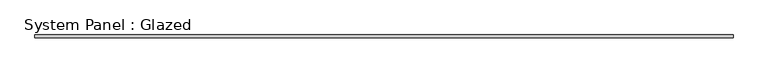
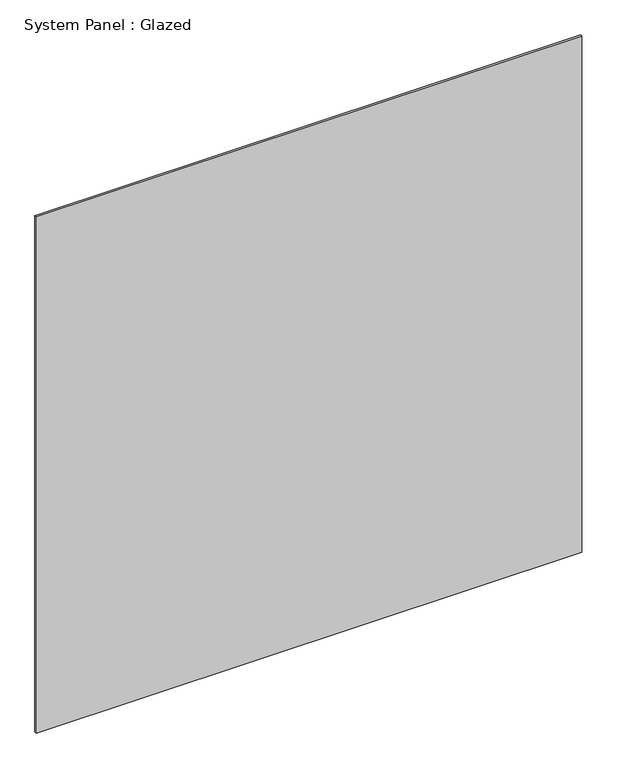
"""IFC4 building model written with IfcOpenShell, lengths in millimetres: plate geometry, System Panel : Glazed."""

from ifc_helpers import new_model, si_unit, origin, origin_with_axes, place, context, project, spatial, polyline, outline, extrude, source, transform, mapped, element, save


def system_panel_glazed_61aa8546(model_context):
    return source(origin(), model_context, "Body", "SweptSolid", [
        extrude(outline(polyline([(728.6696124, 31.025), (-728.6696124, 31.025), (-728.6696124, 37.375), (728.6696124, 37.375), (728.6696124, 31.025)])), origin_with_axes(), (0.0, 0.0, 1.0), 1457.3392248),
    ])


if __name__ == "__main__":
    model = new_model("IFC4")
    model_context = context("Model", 3, world=origin())
    ifc_project = project(units=[si_unit("LENGTHUNIT", "METRE", prefix="MILLI")], contexts=[model_context])
    site = spatial("IfcSite", under=ifc_project)
    building = spatial("IfcBuilding", under=site)
    placement = place(None, origin())
    system_panel_glazed_shape = system_panel_glazed_61aa8546(model_context)
    element("IfcPlate", 1, ObjectType="System Panel : Glazed", at=placement, inside=building, context=model_context, shape_type="MappedRepresentation", body=[
        mapped(system_panel_glazed_shape, transform((0.0, 0.0, 0.0), x_axis=(1.0, 0.0, 0.0), y_axis=(0.0, 1.0, 0.0), z_axis=(0.0, 0.0, 1.0))),
    ])
    save(model, "model.ifc")
